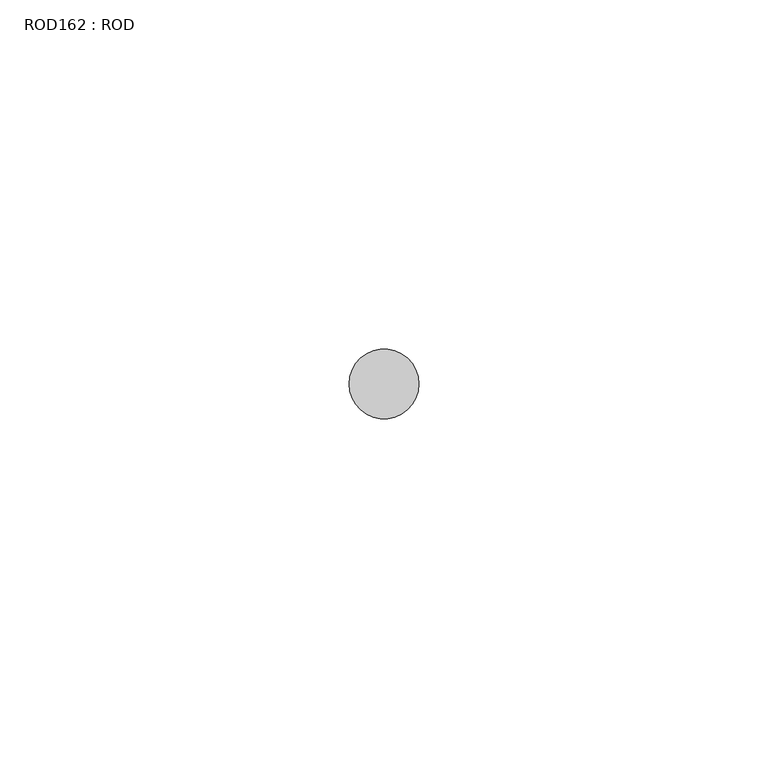
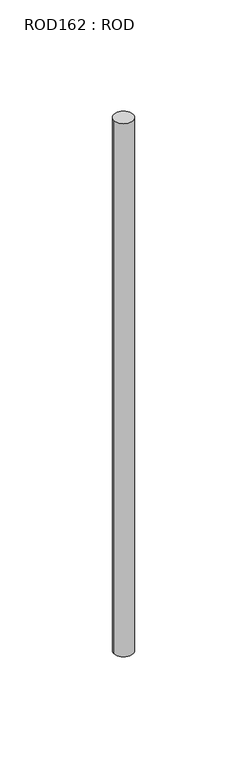
"""IFC4 building model written with IfcOpenShell, lengths in millimetres: proxy geometry, ROD162 : ROD."""

from ifc_helpers import new_model, si_unit, point, frame, frame_2d, origin, place, context, project, spatial, circle_curve, trimmed, segment, composite_curve, outline, extrude, source, transform, mapped, element, save


def rod162_rod_1e36566f(model_context):
    return source(origin(), model_context, "Body", "SweptSolid", [
        extrude(outline(composite_curve([segment(trimmed(circle_curve(frame_2d((-4700.2326676, -25842.0031575)), 5.0), [point((-4705.2326676, -25842.0031575))], [point((-4695.2326676, -25842.0031575))], False, "CARTESIAN"), True, "CONTINUOUS"), segment(trimmed(circle_curve(frame_2d((-4700.2326676, -25842.0031575)), 5.0), [point((-4695.2326676, -25842.0031575))], [point((-4705.2326676, -25842.0031575))], False, "CARTESIAN"), True, "CONTINUOUS")], self_intersect=False)), frame((0.0, 0.0, 166.3391155), z_axis=(0.0, 0.0, 1.0), x_axis=(1.0, 0.0, 0.0)), (0.0, 0.0, 1.0), 298.9028972),
    ])


if __name__ == "__main__":
    model = new_model("IFC4")
    model_context = context("Model", 3, world=origin())
    ifc_project = project(units=[si_unit("LENGTHUNIT", "METRE", prefix="MILLI")], contexts=[model_context])
    site = spatial("IfcSite", under=ifc_project)
    building = spatial("IfcBuilding", under=site)
    placement = place(None, origin())
    rod162_rod_shape = rod162_rod_1e36566f(model_context)
    element("IfcBuildingElementProxy", 1, Name="ROD162 : ROD", ObjectType="ROD162 : ROD", at=placement, inside=building, context=model_context, shape_type="MappedRepresentation", body=[
        mapped(rod162_rod_shape, transform((0.0, 0.0, 0.0), x_axis=(1.0, 0.0, 0.0), y_axis=(0.0, 1.0, 0.0), z_axis=(0.0, 0.0, 1.0))),
    ])
    save(model, "model.ifc")
